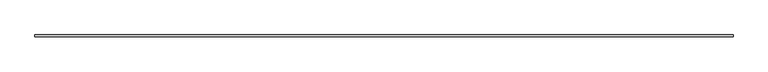
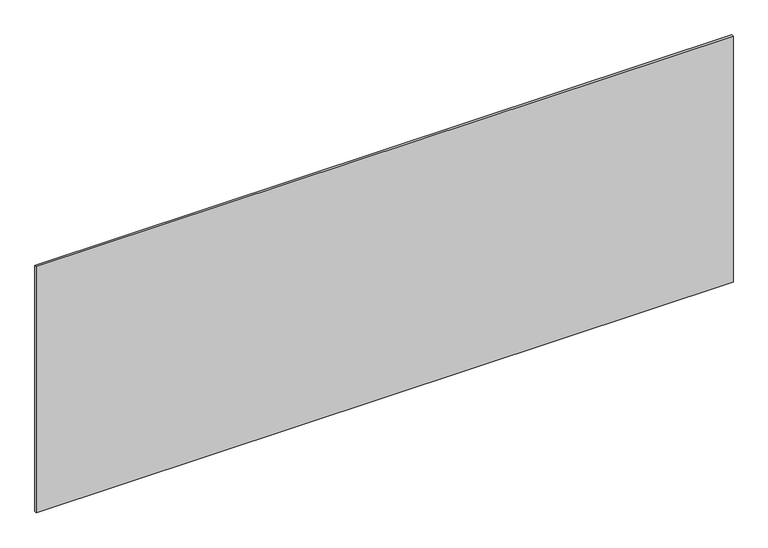
"""IFC4 building model written with IfcOpenShell, lengths in millimetres: plate geometry."""

from ifc_helpers import new_model, si_unit, origin, origin_with_axes, place, context, project, spatial, polyline, outline, extrude, source, transform, mapped, element, save


def plate_375607a9(model_context):
    return source(origin(), model_context, "Body", "SweptSolid", [
        extrude(outline(polyline([(1697.5, -5.0), (-1697.5, -5.0), (-1697.5, 5.0), (1697.5, 5.0), (1697.5, -5.0)])), origin_with_axes(), (0.0, 0.0, 1.0), 1267.928235),
    ])


if __name__ == "__main__":
    model = new_model("IFC4")
    model_context = context("Model", 3, world=origin())
    ifc_project = project(units=[si_unit("LENGTHUNIT", "METRE", prefix="MILLI")], contexts=[model_context])
    site = spatial("IfcSite", under=ifc_project)
    building = spatial("IfcBuilding", under=site)
    placement = place(None, origin())
    plate_shape = plate_375607a9(model_context)
    element("IfcPlate", 1, at=placement, inside=building, context=model_context, shape_type="MappedRepresentation", body=[
        mapped(plate_shape, transform((0.0, 0.0, 0.0), x_axis=(1.0, 0.0, 0.0), y_axis=(0.0, 1.0, 0.0), z_axis=(0.0, 0.0, 1.0))),
    ])
    save(model, "model.ifc")
